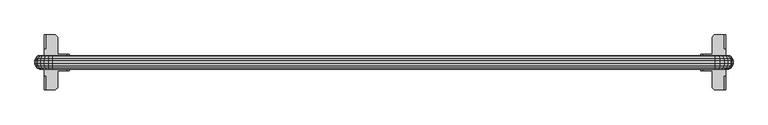
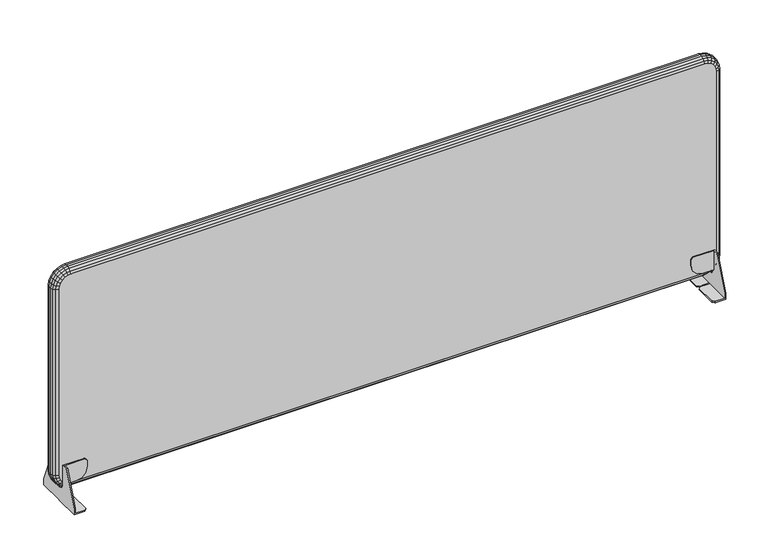
"""IFC4 building model written with IfcOpenShell, lengths in millimetres: furniture geometry."""

from ifc_helpers import new_model, si_unit, origin, place, context, project, spatial, triangles, source, transform, mapped, element, save


def furniture_b10ac99d(model_context):
    return source(origin(), model_context, "Body", "Tessellation", [
        triangles([(5569.3431288, 2306.6081841, 625.0000048), (5569.3431288, 2306.6081841, 575.0000044), (5569.3431288, 2320.608129, 625.0000048), (5569.3431288, 2352.608138, 544.9999824), (5569.3431288, 2305.1341462, 569.5000131), (5569.3431288, 2352.608138, 529.9999895), (5569.3431288, 2292.6081666, 529.9999895), (5569.3431288, 2301.1081565, 565.473987), (5569.3431288, 2295.6081288, 563.9999854), (5569.3431288, 2292.6081666, 563.9999854), (5566.3430212, 2306.6081841, 575.0000044), (5566.3430212, 2305.1341462, 569.5000131), (5566.3430212, 2301.1081565, 565.473987), (5566.3430212, 2292.6442109, 563.9999854), (5566.3430212, 2292.6081666, 532.9999881), (5544.3432012, 2292.6081666, 529.9999895), (5544.3432012, 2292.6081666, 532.9999881), (5566.3430212, 2306.6081841, 578.000003), (5540.3431547, 2306.6081841, 578.000003), (5526.8431066, 2306.6081841, 581.617006), (5516.9602796, 2306.6081841, 591.5000147), (5513.3430586, 2306.6081841, 604.9999901), (5518.3430441, 2306.6081841, 625.0000048), (5513.3430586, 2306.6081841, 620.0000193), (5566.3430212, 2309.6081464, 625.0000048), (5566.3430212, 2320.608129, 625.0000048), (5566.3430212, 2309.6081464, 578.000003), (5566.3430212, 2352.608138, 544.9999824), (5566.3430212, 2352.608138, 532.9999881), (5540.3431547, 2309.6081464, 578.000003), (5526.8431066, 2309.6081464, 581.617006), (5516.9602796, 2309.6081464, 591.5000147), (5513.3430586, 2309.6081464, 604.9999901), (5518.3430441, 2309.6081464, 625.0000048), (5513.3430586, 2309.6081464, 620.0000193), (5544.3432012, 2352.608138, 529.9999895), (5544.3432012, 2352.608138, 532.9999881), (5539.3432157, 2347.6081525, 529.9999895), (5539.3432157, 2297.6081521, 529.9999895), (5539.3432157, 2297.6081521, 532.9999881), (5539.3432157, 2347.6081525, 532.9999881), (5569.3431288, 2261.6081692, 625.0000048), (5569.3431288, 2275.6081868, 575.0000044), (5569.3431288, 2275.6081868, 625.0000048), (5569.3431288, 2229.6080876, 544.9999824), (5569.3431288, 2277.0820794, 569.5000131), (5569.3431288, 2229.6080876, 529.9999895), (5569.3431288, 2289.6082043, 529.9999895), (5569.3431288, 2281.1081418, 565.473987), (5569.3431288, 2286.6080968, 563.9999854), (5569.3431288, 2289.6082043, 563.9999854), (5566.3430212, 2275.6081868, 575.0000044), (5566.3430212, 2277.0820794, 569.5000131), (5566.3430212, 2281.1081418, 565.473987), (5566.3430212, 2289.57216, 563.9999854), (5566.3430212, 2289.6082043, 532.9999881), (5544.3432012, 2289.6082043, 529.9999895), (5544.3432012, 2289.6082043, 532.9999881), (5566.3430212, 2275.6081868, 578.000003), (5540.3431547, 2275.6081868, 578.000003), (5526.8431066, 2275.6081868, 581.617006), (5516.9602796, 2275.6081868, 591.5000147), (5513.3430586, 2275.6081868, 604.9999901), (5518.3430441, 2275.6081868, 625.0000048), (5513.3430586, 2275.6081868, 620.0000193), (5566.3430212, 2272.6082246, 578.000003), (5566.3430212, 2261.6081692, 625.0000048), (5566.3430212, 2272.6082246, 625.0000048), (5566.3430212, 2229.6080876, 544.9999824), (5566.3430212, 2229.6080876, 532.9999881), (5540.3431547, 2272.6082246, 578.000003), (5526.8431066, 2272.6082246, 581.617006), (5516.9602796, 2272.6082246, 591.5000147), (5513.3430586, 2272.6082246, 604.9999901), (5518.3430441, 2272.6082246, 625.0000048), (5513.3430586, 2272.6082246, 620.0000193), (5544.3432012, 2229.6080876, 529.9999895), (5544.3432012, 2229.6080876, 532.9999881), (5539.3432157, 2234.6082185, 529.9999895), (5539.3432157, 2284.6082188, 529.9999895), (5539.3432157, 2284.6082188, 532.9999881), (5539.3432157, 2234.6082185, 532.9999881), (4042.3430212, 2320.608129, 625.0000048), (4042.3430212, 2306.6081841, 575.0000044), (4042.3430212, 2306.6081841, 625.0000048), (4042.3430212, 2352.608138, 544.9999824), (4042.3430212, 2305.1341462, 569.5000131), (4042.3430212, 2352.608138, 529.9999895), (4042.3430212, 2292.6081666, 529.9999895), (4042.3430212, 2301.1081565, 565.473987), (4042.3430212, 2295.6081288, 563.9999854), (4042.3430212, 2292.6081666, 563.9999854), (4045.3431288, 2306.6081841, 575.0000044), (4045.3431288, 2305.1341462, 569.5000131), (4045.3431288, 2301.1081565, 565.473987), (4045.3431288, 2292.6442109, 563.9999854), (4045.3431288, 2292.6081666, 532.9999881), (4067.3432394, 2292.6081666, 529.9999895), (4067.3432394, 2292.6081666, 532.9999881), (4045.3431288, 2306.6081841, 578.000003), (4071.3432859, 2306.6081841, 578.000003), (4084.8430433, 2306.6081841, 581.617006), (4094.726161, 2306.6081841, 591.5000147), (4098.3430914, 2306.6081841, 604.9999901), (4093.3431059, 2306.6081841, 625.0000048), (4098.3430914, 2306.6081841, 620.0000193), (4045.3431288, 2309.6081464, 578.000003), (4045.3431288, 2320.608129, 625.0000048), (4045.3431288, 2309.6081464, 625.0000048), (4045.3431288, 2352.608138, 544.9999824), (4045.3431288, 2352.608138, 532.9999881), (4071.3432859, 2309.6081464, 578.000003), (4084.8430433, 2309.6081464, 581.617006), (4094.726161, 2309.6081464, 591.5000147), (4098.3430914, 2309.6081464, 604.9999901), (4093.3431059, 2309.6081464, 625.0000048), (4098.3430914, 2309.6081464, 620.0000193), (4067.3432394, 2352.608138, 529.9999895), (4067.3432394, 2352.608138, 532.9999881), (4072.3432249, 2347.6081525, 529.9999895), (4072.3432249, 2297.6081521, 529.9999895), (4072.3432249, 2297.6081521, 532.9999881), (4072.3432249, 2347.6081525, 532.9999881), (4042.3430212, 2275.6081868, 625.0000048), (4042.3430212, 2275.6081868, 575.0000044), (4042.3430212, 2261.6081692, 625.0000048), (4042.3430212, 2229.6080876, 544.9999824), (4042.3430212, 2277.0820794, 569.5000131), (4042.3430212, 2229.6080876, 529.9999895), (4042.3430212, 2289.6082043, 529.9999895), (4042.3430212, 2281.1081418, 565.473987), (4042.3430212, 2286.6080968, 563.9999854), (4042.3430212, 2289.6082043, 563.9999854), (4045.3431288, 2275.6081868, 575.0000044), (4045.3431288, 2277.0820794, 569.5000131), (4045.3431288, 2281.1081418, 565.473987), (4045.3431288, 2286.6080968, 563.9999854), (4045.3431288, 2289.6082043, 563.9999854), (4045.3431288, 2289.6082043, 532.9999881), (4067.3432394, 2289.6082043, 529.9999895), (4067.3432394, 2289.6082043, 532.9999881), (4045.3431288, 2275.6081868, 578.000003), (4071.3432859, 2275.6081868, 578.000003), (4084.8430433, 2275.6081868, 581.617006), (4094.726161, 2275.6081868, 591.5000147), (4098.3430914, 2275.6081868, 604.9999901), (4093.3431059, 2275.6081868, 625.0000048), (4098.3430914, 2275.6081868, 620.0000193), (4045.3431288, 2272.6082246, 625.0000048), (4045.3431288, 2261.6081692, 625.0000048), (4045.3431288, 2272.6082246, 578.000003), (4045.3431288, 2229.6080876, 544.9999824), (4045.3431288, 2229.6080876, 532.9999881), (4071.3432859, 2272.6082246, 578.000003), (4084.8430433, 2272.6082246, 581.617006), (4094.726161, 2272.6082246, 591.5000147), (4098.3430914, 2272.6082246, 604.9999901), (4093.3431059, 2272.6082246, 625.0000048), (4098.3430914, 2272.6082246, 620.0000193), (4067.3432394, 2229.6080876, 529.9999895), (4067.3432394, 2229.6080876, 532.9999881), (4072.3432249, 2234.6082185, 529.9999895), (4072.3432249, 2284.6082188, 529.9999895), (4072.3432249, 2284.6082188, 532.9999881), (4072.3432249, 2234.6082185, 532.9999881)], [[1, 2, 3], [3, 2, 4], [4, 2, 5], [6, 4, 5], [6, 5, 7], [7, 5, 8], [7, 8, 9], [9, 10, 7], [2, 11, 5], [5, 11, 12], [5, 12, 8], [8, 12, 13], [8, 13, 9], [14, 9, 13], [10, 9, 14], [14, 15, 10], [10, 15, 7], [7, 15, 16], [16, 15, 17], [11, 2, 18], [1, 18, 2], [19, 18, 1], [20, 19, 1], [20, 1, 21], [21, 1, 22], [22, 1, 23], [22, 23, 24], [25, 26, 27], [28, 27, 26], [27, 28, 12], [12, 28, 29], [12, 29, 15], [15, 14, 13], [15, 13, 12], [12, 11, 27], [27, 11, 18], [27, 30, 25], [25, 30, 31], [25, 31, 32], [32, 33, 25], [25, 33, 34], [34, 33, 35], [28, 4, 29], [6, 29, 4], [36, 29, 6], [36, 37, 29], [6, 7, 36], [36, 7, 16], [36, 16, 38], [38, 16, 39], [15, 29, 17], [17, 29, 37], [17, 37, 40], [40, 37, 41], [34, 35, 23], [23, 35, 24], [35, 33, 24], [24, 33, 22], [34, 23, 25], [1, 25, 23], [3, 25, 1], [3, 26, 25], [16, 17, 39], [39, 17, 40], [40, 41, 39], [39, 41, 38], [38, 41, 36], [36, 41, 37], [3, 4, 26], [26, 4, 28], [18, 19, 27], [27, 19, 30], [22, 33, 21], [21, 33, 32], [21, 32, 20], [20, 32, 31], [20, 31, 19], [19, 31, 30], [42, 43, 44], [45, 43, 42], [45, 46, 43], [47, 46, 45], [48, 46, 47], [48, 49, 46], [48, 50, 49], [48, 51, 50], [46, 52, 43], [53, 52, 46], [49, 53, 46], [54, 53, 49], [50, 54, 49], [55, 54, 50], [55, 50, 51], [51, 56, 55], [48, 56, 51], [57, 56, 48], [58, 56, 57], [59, 43, 52], [44, 43, 59], [60, 44, 59], [61, 44, 60], [62, 44, 61], [62, 63, 44], [63, 64, 44], [63, 65, 64], [66, 67, 68], [69, 67, 66], [53, 69, 66], [70, 69, 53], [56, 70, 53], [54, 55, 56], [53, 54, 56], [66, 52, 53], [59, 52, 66], [68, 71, 66], [72, 71, 68], [73, 72, 68], [68, 74, 73], [68, 75, 74], [75, 76, 74], [70, 45, 69], [47, 45, 70], [77, 47, 70], [70, 78, 77], [77, 48, 47], [57, 48, 77], [77, 79, 57], [79, 80, 57], [58, 70, 56], [78, 70, 58], [58, 81, 78], [81, 82, 78], [64, 76, 75], [65, 76, 64], [65, 74, 76], [63, 74, 65], [68, 64, 75], [44, 64, 68], [42, 44, 68], [68, 67, 42], [80, 58, 57], [81, 58, 80], [80, 82, 81], [79, 82, 80], [77, 82, 79], [78, 82, 77], [67, 45, 42], [69, 45, 67], [66, 60, 59], [71, 60, 66], [62, 74, 63], [73, 74, 62], [61, 73, 62], [72, 73, 61], [60, 72, 61], [71, 72, 60], [83, 84, 85], [86, 84, 83], [86, 87, 84], [88, 87, 86], [89, 87, 88], [89, 90, 87], [89, 91, 90], [89, 92, 91], [87, 93, 84], [94, 93, 87], [90, 94, 87], [95, 94, 90], [91, 95, 90], [96, 95, 91], [96, 91, 92], [92, 97, 96], [89, 97, 92], [98, 97, 89], [99, 97, 98], [100, 84, 93], [85, 84, 100], [101, 85, 100], [102, 85, 101], [103, 85, 102], [103, 104, 85], [104, 105, 85], [104, 106, 105], [107, 108, 109], [110, 108, 107], [94, 110, 107], [111, 110, 94], [97, 111, 94], [95, 96, 97], [94, 95, 97], [107, 93, 94], [100, 93, 107], [109, 112, 107], [113, 112, 109], [114, 113, 109], [109, 115, 114], [109, 116, 115], [116, 117, 115], [111, 86, 110], [88, 86, 111], [118, 88, 111], [111, 119, 118], [118, 89, 88], [98, 89, 118], [118, 120, 98], [120, 121, 98], [99, 111, 97], [119, 111, 99], [99, 122, 119], [122, 123, 119], [105, 117, 116], [106, 117, 105], [106, 115, 117], [104, 115, 106], [109, 105, 116], [85, 105, 109], [83, 85, 109], [109, 108, 83], [121, 99, 98], [122, 99, 121], [121, 123, 122], [120, 123, 121], [118, 123, 120], [119, 123, 118], [108, 86, 83], [110, 86, 108], [107, 101, 100], [112, 101, 107], [103, 115, 104], [114, 115, 103], [102, 114, 103], [113, 114, 102], [101, 113, 102], [112, 113, 101], [124, 125, 126], [126, 125, 127], [127, 125, 128], [129, 127, 128], [129, 128, 130], [130, 128, 131], [130, 131, 132], [132, 133, 130], [125, 134, 128], [128, 134, 135], [128, 135, 131], [131, 135, 136], [131, 136, 132], [132, 136, 137], [133, 132, 138], [138, 132, 137], [138, 139, 133], [133, 139, 130], [130, 139, 140], [140, 139, 141], [134, 125, 142], [124, 142, 125], [143, 142, 124], [144, 143, 124], [144, 124, 145], [145, 124, 146], [146, 124, 147], [146, 147, 148], [149, 150, 151], [152, 151, 150], [151, 152, 135], [135, 152, 153], [135, 153, 139], [138, 137, 139], [139, 137, 136], [139, 136, 135], [135, 134, 151], [151, 134, 142], [151, 154, 149], [149, 154, 155], [149, 155, 156], [156, 157, 149], [149, 157, 158], [158, 157, 159], [152, 127, 153], [129, 153, 127], [160, 153, 129], [160, 161, 153], [129, 130, 160], [160, 130, 140], [160, 140, 162], [162, 140, 163], [139, 153, 141], [141, 153, 161], [141, 161, 164], [164, 161, 165], [158, 159, 147], [147, 159, 148], [159, 157, 148], [148, 157, 146], [158, 147, 149], [124, 149, 147], [126, 149, 124], [126, 150, 149], [140, 141, 163], [163, 141, 164], [164, 165, 163], [163, 165, 162], [162, 165, 160], [160, 165, 161], [126, 127, 150], [150, 127, 152], [142, 143, 151], [151, 143, 154], [146, 157, 145], [145, 157, 156], [145, 156, 144], [144, 156, 155], [144, 155, 143], [143, 155, 154]]),
        triangles([(5580.5930235, 2304.567175, 604.0000148), (5584.8020689, 2300.3581296, 604.0000148), (5579.4262342, 2304.567175, 595.1350036), (5583.4922651, 2300.3581296, 594.0460075), (5576.0040594, 2304.567175, 586.8750063), (5579.6500578, 2300.3581296, 584.7700112), (5570.5610777, 2304.567175, 579.7820163), (5573.5382215, 2300.3581296, 576.8050178), (5563.4681967, 2304.567175, 574.3389982), (5565.5733007, 2300.3581296, 570.6929998), (5555.2082357, 2304.567175, 570.9170051), (5556.2971227, 2300.3581296, 566.8510105), (5546.3430792, 2304.567175, 569.7499978), (5546.3430792, 2300.3581296, 565.5409887), (5574.8430837, 2306.108142, 604.0000148), (5573.8722128, 2306.108142, 596.6240115), (5571.0252935, 2306.108142, 589.7500125), (5566.4962095, 2306.108142, 583.8469934), (5560.5930815, 2306.108142, 579.3179821), (5553.7190824, 2306.108142, 576.4709902), (5546.3430792, 2306.108142, 575.5000102), (5580.5930235, 2277.6491959, 604.0000148), (5574.8430837, 2276.1081563, 604.0000148), (5579.4262342, 2277.6491959, 595.1350036), (5573.8722128, 2276.1081563, 596.6240115), (5576.0040594, 2277.6491959, 586.8750063), (5571.0252935, 2276.1081563, 589.7500125), (5570.5610777, 2277.6491959, 579.7820163), (5566.4962095, 2276.1081563, 583.8469934), (5563.4681967, 2277.6491959, 574.3389982), (5560.5930815, 2276.1081563, 579.3179821), (5555.2082357, 2277.6491959, 570.9170051), (5553.7190824, 2276.1081563, 576.4709902), (5546.3430792, 2277.6491959, 569.7499978), (5546.3430792, 2276.1081563, 575.5000102), (5584.8020689, 2281.858096, 604.0000148), (5583.4922651, 2281.858096, 594.0460075), (5579.6500578, 2281.858096, 584.7700112), (5573.5382215, 2281.858096, 576.8050178), (5565.5733007, 2281.858096, 570.6929998), (5556.2971227, 2281.858096, 566.8510105), (5546.3430792, 2281.858096, 565.5409887), (5586.3432539, 2287.6081811, 604.0000148), (5584.9802557, 2287.6081811, 593.647013), (5580.9842787, 2287.6081811, 584.0000001), (5574.6271086, 2287.6081811, 575.7159854), (5566.3430212, 2287.6081811, 569.358997), (5556.6962263, 2287.6081811, 565.3629836), (5546.3430792, 2287.6081811, 563.9999854), (5586.3432539, 2294.6081898, 604.0000148), (5584.9802557, 2294.6081898, 593.647013), (5580.9842787, 2294.6081898, 584.0000001), (5574.6271086, 2294.6081898, 575.7159854), (5566.3430212, 2294.6081898, 569.358997), (5556.6962263, 2294.6081898, 565.3629836), (5546.3430792, 2294.6081898, 563.9999854), (5580.5930235, 2304.567175, 1064.0000256), (5584.8020689, 2300.3581296, 1064.0000256), (5574.8430837, 2306.108142, 1064.0000256), (5580.5930235, 2277.6491959, 1064.0000256), (5574.8430837, 2276.1081563, 1064.0000256), (5584.8020689, 2281.858096, 1064.0000256), (5586.3432539, 2287.6081811, 1064.0000256), (5586.3432539, 2294.6081898, 1064.0000256), (5546.3430792, 2304.567175, 1098.2499699), (5546.3430792, 2300.3581296, 1102.4590153), (5555.2082357, 2304.567175, 1097.0830353), (5556.2971227, 2300.3581296, 1101.1489935), (5563.4681967, 2304.567175, 1093.6610058), (5565.5733007, 2300.3581296, 1097.3070042), (5570.5610777, 2304.567175, 1088.2180241), (5573.5382215, 2300.3581296, 1091.1950226), (5576.0040594, 2304.567175, 1081.1249977), (5579.6500578, 2300.3581296, 1083.2300291), (5579.4262342, 2304.567175, 1072.8649641), (5583.4922651, 2300.3581296, 1073.9539965), (5546.3430792, 2306.108142, 1092.5000301), (5553.7190824, 2306.108142, 1091.5290138), (5560.5930815, 2306.108142, 1088.6820219), (5566.4962095, 2306.108142, 1084.1530106), (5571.0252935, 2306.108142, 1078.2500278), (5573.8722128, 2306.108142, 1071.3760288), (5546.3430792, 2277.6491959, 1098.2499699), (5546.3430792, 2276.1081563, 1092.5000301), (5555.2082357, 2277.6491959, 1097.0830353), (5553.7190824, 2276.1081563, 1091.5290138), (5563.4681967, 2277.6491959, 1093.6610058), (5560.5930815, 2276.1081563, 1088.6820219), (5570.5610777, 2277.6491959, 1088.2180241), (5566.4962095, 2276.1081563, 1084.1530106), (5576.0040594, 2277.6491959, 1081.1249977), (5571.0252935, 2276.1081563, 1078.2500278), (5579.4262342, 2277.6491959, 1072.8649641), (5573.8722128, 2276.1081563, 1071.3760288), (5546.3430792, 2281.858096, 1102.4590153), (5556.2971227, 2281.858096, 1101.1489935), (5565.5733007, 2281.858096, 1097.3070042), (5573.5382215, 2281.858096, 1091.1950226), (5579.6500578, 2281.858096, 1083.2300291), (5583.4922651, 2281.858096, 1073.9539965), (5546.3430792, 2287.6081811, 1103.9999823), (5556.6962263, 2287.6081811, 1102.6369841), (5566.3430212, 2287.6081811, 1098.641007), (5574.6271086, 2287.6081811, 1092.2839823), (5580.9842787, 2287.6081811, 1083.9999676), (5584.9802557, 2287.6081811, 1074.3530273), (5546.3430792, 2294.6081898, 1103.9999823), (5556.6962263, 2294.6081898, 1102.6369841), (5566.3430212, 2294.6081898, 1098.641007), (5574.6271086, 2294.6081898, 1092.2839823), (5580.9842787, 2294.6081898, 1083.9999676), (5584.9802557, 2294.6081898, 1074.3530273), (4061.3430242, 2304.567175, 1098.2499699), (4061.3430242, 2300.3581296, 1102.4590153), (4061.3430242, 2306.108142, 1092.5000301), (4061.3430242, 2277.6491959, 1098.2499699), (4061.3430242, 2276.1081563, 1092.5000301), (4061.3430242, 2281.858096, 1102.4590153), (4061.3430242, 2287.6081811, 1103.9999823), (4061.3430242, 2294.6081898, 1103.9999823), (4027.0930799, 2304.567175, 1064.0000256), (4022.8840345, 2300.3581296, 1064.0000256), (4028.2601599, 2304.567175, 1072.8649641), (4024.194129, 2300.3581296, 1073.9539965), (4031.682044, 2304.567175, 1081.1249977), (4028.0360456, 2300.3581296, 1083.2300291), (4037.1250257, 2304.567175, 1088.2180241), (4034.1481725, 2300.3581296, 1091.1950226), (4044.2181974, 2304.567175, 1093.6610058), (4042.1130934, 2300.3581296, 1097.3070042), (4052.4781584, 2304.567175, 1097.0830353), (4051.3892713, 2300.3581296, 1101.1489935), (4032.8430197, 2306.108142, 1064.0000256), (4033.8141813, 2306.108142, 1071.3760288), (4036.6611006, 2306.108142, 1078.2500278), (4041.1901846, 2306.108142, 1084.1530106), (4047.0930219, 2306.108142, 1088.6820219), (4053.967021, 2306.108142, 1091.5290138), (4027.0930799, 2277.6491959, 1064.0000256), (4032.8430197, 2276.1081563, 1064.0000256), (4028.2601599, 2277.6491959, 1072.8649641), (4033.8141813, 2276.1081563, 1071.3760288), (4031.682044, 2277.6491959, 1081.1249977), (4036.6611006, 2276.1081563, 1078.2500278), (4037.1250257, 2277.6491959, 1088.2180241), (4041.1901846, 2276.1081563, 1084.1530106), (4044.2181974, 2277.6491959, 1093.6610058), (4047.0930219, 2276.1081563, 1088.6820219), (4052.4781584, 2277.6491959, 1097.0830353), (4053.967021, 2276.1081563, 1091.5290138), (4022.8840345, 2281.858096, 1064.0000256), (4024.194129, 2281.858096, 1073.9539965), (4028.0360456, 2281.858096, 1083.2300291), (4034.1481725, 2281.858096, 1091.1950226), (4042.1130934, 2281.858096, 1097.3070042), (4051.3892713, 2281.858096, 1101.1489935), (4021.3431402, 2287.6081811, 1064.0000256), (4022.7061384, 2287.6081811, 1074.3530273), (4026.7021154, 2287.6081811, 1083.9999676), (4033.0592855, 2287.6081811, 1092.2839823), (4041.3430822, 2287.6081811, 1098.641007), (4050.9901678, 2287.6081811, 1102.6369841), (4021.3431402, 2294.6081898, 1064.0000256), (4022.7061384, 2294.6081898, 1074.3530273), (4026.7021154, 2294.6081898, 1083.9999676), (4033.0592855, 2294.6081898, 1092.2839823), (4041.3430822, 2294.6081898, 1098.641007), (4050.9901678, 2294.6081898, 1102.6369841), (4027.0930799, 2304.567175, 604.0000148), (4022.8840345, 2300.3581296, 604.0000148), (4032.8430197, 2306.108142, 604.0000148), (4027.0930799, 2277.6491959, 604.0000148), (4032.8430197, 2276.1081563, 604.0000148), (4022.8840345, 2281.858096, 604.0000148), (4021.3431402, 2287.6081811, 604.0000148), (4021.3431402, 2294.6081898, 604.0000148), (4061.3430242, 2304.567175, 569.7499978), (4061.3430242, 2300.3581296, 565.5409887), (4052.4781584, 2304.567175, 570.9170051), (4051.3892713, 2300.3581296, 566.8510105), (4044.2181974, 2304.567175, 574.3389982), (4042.1130934, 2300.3581296, 570.6929998), (4037.1250257, 2304.567175, 579.7820163), (4034.1481725, 2300.3581296, 576.8050178), (4031.682044, 2304.567175, 586.8750063), (4028.0360456, 2300.3581296, 584.7700112), (4028.2601599, 2304.567175, 595.1350036), (4024.194129, 2300.3581296, 594.0460075), (4061.3430242, 2306.108142, 575.5000102), (4053.967021, 2306.108142, 576.4709902), (4047.0930219, 2306.108142, 579.3179821), (4041.1901846, 2306.108142, 583.8469934), (4036.6611006, 2306.108142, 589.7500125), (4033.8141813, 2306.108142, 596.6240115), (4061.3430242, 2277.6491959, 569.7499978), (4061.3430242, 2276.1081563, 575.5000102), (4052.4781584, 2277.6491959, 570.9170051), (4053.967021, 2276.1081563, 576.4709902), (4044.2181974, 2277.6491959, 574.3389982), (4047.0930219, 2276.1081563, 579.3179821), (4037.1250257, 2277.6491959, 579.7820163), (4041.1901846, 2276.1081563, 583.8469934), (4031.682044, 2277.6491959, 586.8750063), (4036.6611006, 2276.1081563, 589.7500125), (4028.2601599, 2277.6491959, 595.1350036), (4033.8141813, 2276.1081563, 596.6240115), (4061.3430242, 2281.858096, 565.5409887), (4051.3892713, 2281.858096, 566.8510105), (4042.1130934, 2281.858096, 570.6929998), (4034.1481725, 2281.858096, 576.8050178), (4028.0360456, 2281.858096, 584.7700112), (4024.194129, 2281.858096, 594.0460075), (4061.3430242, 2287.6081811, 563.9999854), (4050.9901678, 2287.6081811, 565.3629836), (4041.3430822, 2287.6081811, 569.358997), (4033.0592855, 2287.6081811, 575.7159854), (4026.7021154, 2287.6081811, 584.0000001), (4022.7061384, 2287.6081811, 593.647013), (4061.3430242, 2294.6081898, 563.9999854), (4050.9901678, 2294.6081898, 565.3629836), (4041.3430822, 2294.6081898, 569.358997), (4033.0592855, 2294.6081898, 575.7159854), (4026.7021154, 2294.6081898, 584.0000001), (4022.7061384, 2294.6081898, 593.647013)], [[3, 1, 2], [3, 2, 4], [5, 3, 4], [5, 4, 6], [7, 5, 6], [7, 6, 8], [9, 7, 8], [9, 8, 10], [11, 9, 10], [11, 10, 12], [13, 11, 12], [13, 12, 14], [16, 15, 1], [16, 1, 3], [17, 16, 3], [17, 3, 5], [18, 17, 5], [18, 5, 7], [19, 18, 7], [19, 7, 9], [20, 19, 9], [20, 9, 11], [21, 20, 11], [21, 11, 13], [22, 23, 24], [24, 23, 25], [24, 25, 26], [26, 25, 27], [26, 27, 28], [28, 27, 29], [28, 29, 30], [30, 29, 31], [30, 31, 32], [32, 31, 33], [32, 33, 34], [34, 33, 35], [36, 22, 37], [37, 22, 24], [37, 24, 38], [38, 24, 26], [38, 26, 39], [39, 26, 28], [39, 28, 40], [40, 28, 30], [40, 30, 41], [41, 30, 32], [41, 32, 42], [42, 32, 34], [43, 36, 44], [44, 36, 37], [44, 37, 45], [45, 37, 38], [45, 38, 46], [46, 38, 39], [46, 39, 47], [47, 39, 40], [47, 40, 48], [48, 40, 41], [48, 41, 49], [49, 41, 42], [50, 43, 51], [51, 43, 44], [51, 44, 52], [52, 44, 45], [52, 45, 53], [53, 45, 46], [53, 46, 54], [54, 46, 47], [54, 47, 55], [55, 47, 48], [55, 48, 56], [56, 48, 49], [4, 2, 50], [4, 50, 51], [6, 4, 51], [6, 51, 52], [8, 6, 52], [8, 52, 53], [10, 8, 53], [10, 53, 54], [12, 10, 54], [12, 54, 55], [14, 12, 55], [14, 55, 56], [57, 58, 1], [1, 58, 2], [59, 57, 15], [15, 57, 1], [60, 61, 22], [22, 61, 23], [62, 60, 36], [36, 60, 22], [63, 62, 43], [43, 62, 36], [64, 63, 50], [50, 63, 43], [58, 64, 2], [2, 64, 50], [67, 65, 66], [67, 66, 68], [69, 67, 68], [69, 68, 70], [71, 69, 70], [71, 70, 72], [73, 71, 72], [73, 72, 74], [75, 73, 74], [75, 74, 76], [57, 75, 76], [57, 76, 58], [78, 77, 65], [78, 65, 67], [79, 78, 67], [79, 67, 69], [80, 79, 69], [80, 69, 71], [81, 80, 71], [81, 71, 73], [82, 81, 73], [82, 73, 75], [59, 82, 75], [59, 75, 57], [83, 84, 85], [85, 84, 86], [85, 86, 87], [87, 86, 88], [87, 88, 89], [89, 88, 90], [89, 90, 91], [91, 90, 92], [91, 92, 93], [93, 92, 94], [93, 94, 60], [60, 94, 61], [95, 83, 96], [96, 83, 85], [96, 85, 97], [97, 85, 87], [97, 87, 98], [98, 87, 89], [98, 89, 99], [99, 89, 91], [99, 91, 100], [100, 91, 93], [100, 93, 62], [62, 93, 60], [101, 95, 102], [102, 95, 96], [102, 96, 103], [103, 96, 97], [103, 97, 104], [104, 97, 98], [104, 98, 105], [105, 98, 99], [105, 99, 106], [106, 99, 100], [106, 100, 63], [63, 100, 62], [107, 101, 108], [108, 101, 102], [108, 102, 109], [109, 102, 103], [109, 103, 110], [110, 103, 104], [110, 104, 111], [111, 104, 105], [111, 105, 112], [112, 105, 106], [112, 106, 64], [64, 106, 63], [68, 66, 107], [68, 107, 108], [70, 68, 108], [70, 108, 109], [72, 70, 109], [72, 109, 110], [74, 72, 110], [74, 110, 111], [76, 74, 111], [76, 111, 112], [58, 76, 112], [58, 112, 64], [113, 114, 65], [65, 114, 66], [115, 113, 77], [77, 113, 65], [116, 117, 83], [83, 117, 84], [118, 116, 95], [95, 116, 83], [119, 118, 101], [101, 118, 95], [120, 119, 107], [107, 119, 101], [114, 120, 66], [66, 120, 107], [123, 121, 122], [123, 122, 124], [125, 123, 124], [125, 124, 126], [127, 125, 126], [127, 126, 128], [129, 127, 128], [129, 128, 130], [131, 129, 130], [131, 130, 132], [113, 131, 132], [113, 132, 114], [134, 133, 121], [134, 121, 123], [135, 134, 123], [135, 123, 125], [136, 135, 125], [136, 125, 127], [137, 136, 127], [137, 127, 129], [138, 137, 129], [138, 129, 131], [115, 138, 131], [115, 131, 113], [139, 140, 141], [141, 140, 142], [141, 142, 143], [143, 142, 144], [143, 144, 145], [145, 144, 146], [145, 146, 147], [147, 146, 148], [147, 148, 149], [149, 148, 150], [149, 150, 116], [116, 150, 117], [151, 139, 152], [152, 139, 141], [152, 141, 153], [153, 141, 143], [153, 143, 154], [154, 143, 145], [154, 145, 155], [155, 145, 147], [155, 147, 156], [156, 147, 149], [156, 149, 118], [118, 149, 116], [157, 151, 158], [158, 151, 152], [158, 152, 159], [159, 152, 153], [159, 153, 160], [160, 153, 154], [160, 154, 161], [161, 154, 155], [161, 155, 162], [162, 155, 156], [162, 156, 119], [119, 156, 118], [163, 157, 164], [164, 157, 158], [164, 158, 165], [165, 158, 159], [165, 159, 166], [166, 159, 160], [166, 160, 167], [167, 160, 161], [167, 161, 168], [168, 161, 162], [168, 162, 120], [120, 162, 119], [124, 122, 163], [124, 163, 164], [126, 124, 164], [126, 164, 165], [128, 126, 165], [128, 165, 166], [130, 128, 166], [130, 166, 167], [132, 130, 167], [132, 167, 168], [114, 132, 168], [114, 168, 120], [169, 170, 121], [121, 170, 122], [171, 169, 133], [133, 169, 121], [172, 173, 139], [139, 173, 140], [174, 172, 151], [151, 172, 139], [175, 174, 157], [157, 174, 151], [176, 175, 163], [163, 175, 157], [170, 176, 122], [122, 176, 163], [179, 177, 178], [179, 178, 180], [181, 179, 180], [181, 180, 182], [183, 181, 182], [183, 182, 184], [185, 183, 184], [185, 184, 186], [187, 185, 186], [187, 186, 188], [169, 187, 188], [169, 188, 170], [190, 189, 177], [190, 177, 179], [191, 190, 179], [191, 179, 181], [192, 191, 181], [192, 181, 183], [193, 192, 183], [193, 183, 185], [194, 193, 185], [194, 185, 187], [171, 194, 187], [171, 187, 169], [195, 196, 197], [197, 196, 198], [197, 198, 199], [199, 198, 200], [199, 200, 201], [201, 200, 202], [201, 202, 203], [203, 202, 204], [203, 204, 205], [205, 204, 206], [205, 206, 172], [172, 206, 173], [207, 195, 208], [208, 195, 197], [208, 197, 209], [209, 197, 199], [209, 199, 210], [210, 199, 201], [210, 201, 211], [211, 201, 203], [211, 203, 212], [212, 203, 205], [212, 205, 174], [174, 205, 172], [213, 207, 214], [214, 207, 208], [214, 208, 215], [215, 208, 209], [215, 209, 216], [216, 209, 210], [216, 210, 217], [217, 210, 211], [217, 211, 218], [218, 211, 212], [218, 212, 175], [175, 212, 174], [219, 213, 220], [220, 213, 214], [220, 214, 221], [221, 214, 215], [221, 215, 222], [222, 215, 216], [222, 216, 223], [223, 216, 217], [223, 217, 224], [224, 217, 218], [224, 218, 176], [176, 218, 175], [180, 178, 219], [180, 219, 220], [182, 180, 220], [182, 220, 221], [184, 182, 221], [184, 221, 222], [186, 184, 222], [186, 222, 223], [188, 186, 223], [188, 223, 224], [170, 188, 224], [170, 224, 176], [13, 14, 177], [177, 14, 178], [21, 13, 189], [189, 13, 177], [189, 115, 21], [21, 115, 77], [21, 77, 15], [15, 77, 59], [59, 77, 82], [82, 77, 81], [81, 77, 78], [81, 78, 79], [189, 190, 171], [189, 171, 133], [189, 133, 115], [115, 133, 138], [138, 133, 137], [137, 133, 136], [136, 133, 135], [135, 133, 134], [190, 191, 171], [171, 191, 192], [171, 192, 193], [193, 194, 171], [79, 80, 81], [15, 16, 21], [21, 16, 20], [20, 16, 19], [19, 16, 18], [18, 16, 17], [35, 33, 27], [35, 27, 25], [35, 25, 23], [33, 31, 27], [27, 31, 29], [35, 23, 61], [35, 61, 84], [35, 84, 196], [196, 84, 117], [196, 117, 173], [173, 117, 140], [140, 117, 150], [140, 150, 148], [61, 94, 84], [84, 94, 86], [86, 94, 88], [88, 94, 90], [90, 94, 92], [148, 146, 140], [140, 146, 144], [140, 144, 142], [173, 206, 204], [173, 204, 202], [173, 202, 200], [173, 200, 198], [173, 198, 196], [34, 35, 195], [195, 35, 196], [42, 34, 207], [207, 34, 195], [49, 42, 213], [213, 42, 207], [56, 49, 219], [219, 49, 213], [14, 56, 178], [178, 56, 219]]),
    ])


if __name__ == "__main__":
    model = new_model("IFC4")
    model_context = context("Model", 3, world=origin())
    ifc_project = project(units=[si_unit("LENGTHUNIT", "METRE", prefix="MILLI")], contexts=[model_context])
    site = spatial("IfcSite", under=ifc_project)
    building = spatial("IfcBuilding", under=site)
    placement = place(None, origin())
    furniture_shape = furniture_b10ac99d(model_context)
    element("IfcFurniture", 1, at=placement, inside=building, context=model_context, shape_type="MappedRepresentation", body=[
        mapped(furniture_shape, transform((0.0, 0.0, 0.0), x_axis=(1.0, 0.0, 0.0), y_axis=(0.0, 1.0, 0.0), z_axis=(0.0, 0.0, 1.0))),
    ])
    save(model, "model.ifc")
